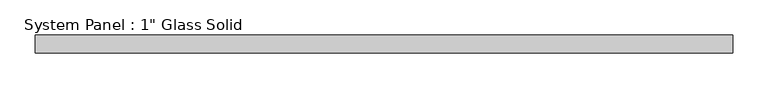
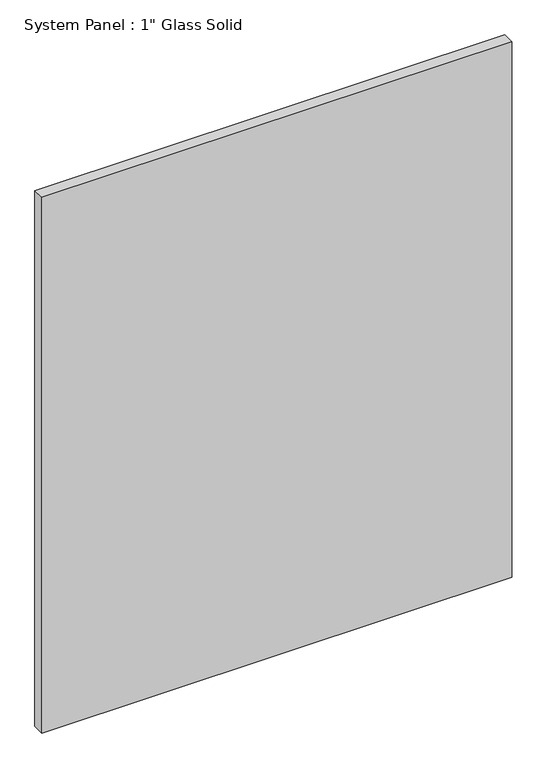
"""IFC4 building model written with IfcOpenShell, lengths in millimetres: plate geometry."""

from ifc_helpers import new_model, si_unit, origin, origin_with_axes, place, context, project, spatial, polyline, outline, extrude, source, transform, mapped, element, save


def plate_b4fa315d(model_context):
    return source(origin(), model_context, "Body", "SweptSolid", [
        extrude(outline(polyline([(495.3008852, -12.7), (-495.3008852, -12.7), (-495.3008852, 12.7), (495.3008852, 12.7), (495.3008852, -12.7)])), origin_with_axes(), (0.0, 0.0, 1.0), 1193.8017704),
    ])


if __name__ == "__main__":
    model = new_model("IFC4")
    model_context = context("Model", 3, world=origin())
    ifc_project = project(units=[si_unit("LENGTHUNIT", "METRE", prefix="MILLI")], contexts=[model_context])
    site = spatial("IfcSite", under=ifc_project)
    building = spatial("IfcBuilding", under=site)
    placement = place(None, origin())
    plate_shape = plate_b4fa315d(model_context)
    element("IfcPlate", 1, ObjectType="System Panel : 1\" Glass Solid", at=placement, inside=building, context=model_context, shape_type="MappedRepresentation", body=[
        mapped(plate_shape, transform((0.0, 0.0, 0.0), x_axis=(1.0, 0.0, 0.0), y_axis=(0.0, 1.0, 0.0), z_axis=(0.0, 0.0, 1.0))),
    ])
    save(model, "model.ifc")
